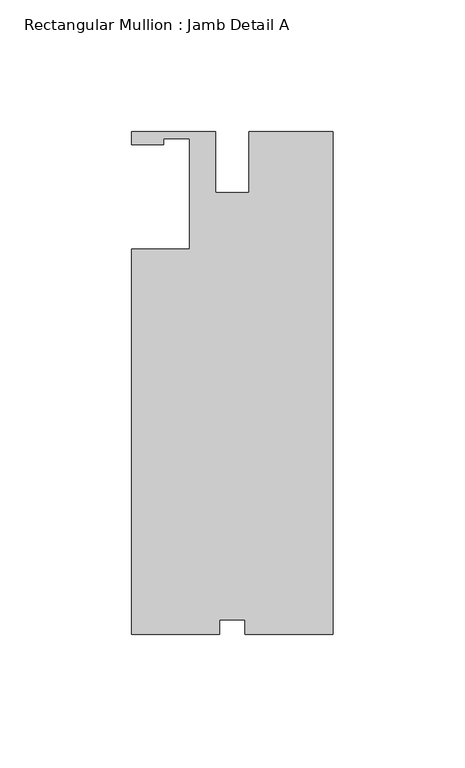
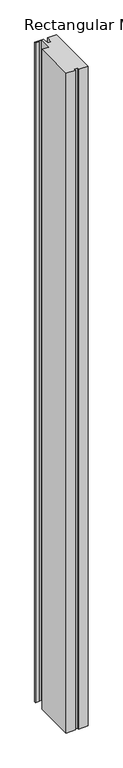
"""IFC4 building model written with IfcOpenShell, lengths in millimetres: member geometry, Rectangular Mullion : Jamb Detail A."""

import ifcopenshell
import ifcopenshell.guid

model = None  # the IFC model being written
_history = None  # IfcOwnerHistory: only IFC2X3 demands one
_inside = {}  # id of a spatial element -> (the spatial element, [elements in it])
_under = {}  # id of a project, library or spatial element -> (it, [spatial elements below it])
_declared = {}  # id of a project -> (the project, [libraries it declares])
_typed = {}  # id of a type object -> (the type object, [elements of that type])
_made_of = {}  # id of a material, layer set ... -> (it, [elements and type objects made of it])


def new_model(schema):
    """Start an empty IFC model of exactly this schema.

    Asked for "IFC4X3", IfcOpenShell would pick the latest addendum, in which some entities
    have other attributes; the version numbers below select the first issue.
    IFC2X3 requires an IfcOwnerHistory on every rooted entity: one is made here for all.
    """
    global model, _history
    if schema == "IFC4X3":
        model = ifcopenshell.file(schema_version=(4, 3, 0, 0))
    else:
        model = ifcopenshell.file(schema=schema)
    _inside.clear()
    _under.clear()
    _declared.clear()
    _typed.clear()
    _made_of.clear()
    _history = None
    if model.schema == "IFC2X3":
        org = make("IfcOrganization", Name="unknown")
        user = make(
            "IfcPersonAndOrganization",
            ThePerson=make("IfcPerson", FamilyName="unknown"),
            TheOrganization=org,
        )
        app = make(
            "IfcApplication",
            ApplicationDeveloper=org,
            Version="unknown",
            ApplicationFullName="unknown",
            ApplicationIdentifier="unknown",
        )
        _history = make(
            "IfcOwnerHistory",
            OwningUser=user,
            OwningApplication=app,
            ChangeAction="ADDED",
            CreationDate=0,
        )
    return model


def make(cls, **values):
    """One entity of the class cls with the attributes given. An attribute that is None is left unset."""
    return model.create_entity(
        cls, **{name: value for name, value in values.items() if value is not None}
    )


def rooted(cls, **values):
    """An entity with a GlobalId (a new one), such as an element, a storey or a relation."""
    return make(cls, GlobalId=ifcopenshell.guid.new(), OwnerHistory=_history, **values)


def si_unit(unit_type, name, prefix=None):
    """IfcSIUnit, for example si_unit("LENGTHUNIT", "METRE", prefix="MILLI")."""
    return make("IfcSIUnit", UnitType=unit_type, Prefix=prefix, Name=name)


def assignment(units):
    """IfcUnitAssignment: the units of a project."""
    return None if units is None else make("IfcUnitAssignment", Units=units)


def point(xyz):
    """IfcCartesianPoint."""
    return None if xyz is None else make("IfcCartesianPoint", Coordinates=xyz)


def direction(xyz):
    """IfcDirection."""
    return None if xyz is None else make("IfcDirection", DirectionRatios=xyz)


def frame(location, z_axis=None, x_axis=None):
    """IfcAxis2Placement3D, a coordinate frame: its origin and axes. An axis left out is left unset."""
    return make(
        "IfcAxis2Placement3D",
        Location=point(location),
        Axis=direction(z_axis),
        RefDirection=direction(x_axis),
    )


def origin():
    """The frame at (0, 0, 0) with its axes left unset."""
    return frame((0.0, 0.0, 0.0))


def place(relative_to, where):
    """IfcLocalPlacement: puts the frame where relative to a parent placement (None: the world)."""
    return make(
        "IfcLocalPlacement", PlacementRelTo=relative_to, RelativePlacement=where
    )


def context(
    kind, dimensions, precision=None, world=None, true_north=None, identifier=None
):
    """IfcGeometricRepresentationContext, for example the 3D "Model" context."""
    return make(
        "IfcGeometricRepresentationContext",
        ContextIdentifier=identifier,
        ContextType=kind,
        CoordinateSpaceDimension=dimensions,
        Precision=precision,
        WorldCoordinateSystem=world,
        TrueNorth=true_north,
    )


def project(units=None, contexts=None):
    """IfcProject with its units and contexts."""
    return rooted(
        "IfcProject",
        Name="project",
        RepresentationContexts=contexts,
        UnitsInContext=assignment(units),
    )


def spatial(cls, under=None, at=None, **own):
    """A site, building, storey or space (cls), placed at a placement, below another one or the project."""
    s = rooted(cls, ObjectPlacement=at, **own)
    if under is not None:
        _under.setdefault(under.id(), (under, []))[1].append(s)
    return s


def polyline(points):
    """IfcPolyline through the points."""
    return make("IfcPolyline", Points=[point(p) for p in points])


def outline(outer, holes=None, kind="AREA"):
    """IfcArbitraryClosedProfileDef: a profile drawn as a closed curve; with holes, ...WithVoids."""
    if holes is None:
        return make("IfcArbitraryClosedProfileDef", ProfileType=kind, OuterCurve=outer)
    return make(
        "IfcArbitraryProfileDefWithVoids",
        ProfileType=kind,
        OuterCurve=outer,
        InnerCurves=holes,
    )


def extrude(swept, where, along, depth):
    """IfcExtrudedAreaSolid: the profile swept, set in the frame where, extruded along a direction by depth."""
    return make(
        "IfcExtrudedAreaSolid",
        SweptArea=swept,
        Position=where,
        ExtrudedDirection=direction(along),
        Depth=depth,
    )


def shape(context_of_items, identifier, shape_type, items):
    """IfcShapeRepresentation: the items that make up one representation, for example the "Body"."""
    return make(
        "IfcShapeRepresentation",
        ContextOfItems=context_of_items,
        RepresentationIdentifier=identifier,
        RepresentationType=shape_type,
        Items=items,
    )


def source(mapping_origin, context_of_items, identifier, shape_type, items):
    """IfcRepresentationMap: a shape defined once, which mapped items show again and again."""
    return make(
        "IfcRepresentationMap",
        MappingOrigin=mapping_origin,
        MappedRepresentation=shape(context_of_items, identifier, shape_type, items),
    )


def transform(
    local_origin,
    x_axis=None,
    y_axis=None,
    z_axis=None,
    scale=None,
    scale2=None,
    scale3=None,
    uniform=True,
):
    """IfcCartesianTransformationOperator3D, or its non-uniform kind. x_axis, y_axis, z_axis: its Axis1, 2, 3."""
    if uniform:
        return make(
            "IfcCartesianTransformationOperator3D",
            Axis1=direction(x_axis),
            Axis2=direction(y_axis),
            LocalOrigin=point(local_origin),
            Scale=scale,
            Axis3=direction(z_axis),
        )
    return make(
        "IfcCartesianTransformationOperator3DnonUniform",
        Axis1=direction(x_axis),
        Axis2=direction(y_axis),
        LocalOrigin=point(local_origin),
        Scale=scale,
        Axis3=direction(z_axis),
        Scale2=scale2,
        Scale3=scale3,
    )


def mapped(mapping_source, mapping_target):
    """IfcMappedItem: shows the shape of a source again, moved by a transform."""
    return make(
        "IfcMappedItem", MappingSource=mapping_source, MappingTarget=mapping_target
    )


def made_of(thing, what):
    """Note that an element or type object is made of a material, layer set ...; save() writes the relation."""
    if what is not None:
        _made_of.setdefault(what.id(), (what, []))[1].append(thing)
    return thing


def element(
    cls,
    number,
    at=None,
    inside=None,
    cuts=None,
    type_object=None,
    material=None,
    context=None,
    identifier="Body",
    shape_type=None,
    held_by="IfcProductDefinitionShape",
    body=None,
    shapes=None,
    **own,
):
    """One element of the class cls, such as IfcWall. Its Tag is "e" and its number.

    at: its placement. inside: the storey or other place that contains it. cuts: it is an
    opening in that element (IfcRelVoidsElement). A single representation is given by context,
    identifier, shape_type and body (its items); several are given by shapes. held_by: the class
    of the entity that holds the representations. save() writes the other relations.
    """
    e = rooted(cls, Tag="e%d" % number, ObjectPlacement=at, **own)
    if body is not None:
        shapes = [shape(context, identifier, shape_type, body)]
    if shapes is not None:
        e.Representation = make(held_by, Representations=shapes)
    if inside is not None:
        _inside.setdefault(inside.id(), (inside, []))[1].append(e)
    if cuts is not None:
        rooted(
            "IfcRelVoidsElement", RelatingBuildingElement=cuts, RelatedOpeningElement=e
        )
    if type_object is not None:
        _typed.setdefault(type_object.id(), (type_object, []))[1].append(e)
    return made_of(e, material)


def aggregate(whole, parts):
    """IfcRelAggregates: a whole, such as a stair, and the parts it consists of."""
    return rooted("IfcRelAggregates", RelatingObject=whole, RelatedObjects=parts)


def save(model, path):
    """Write the relations noted so far, then the file.

    IfcRelAggregates (storeys below a building ...), IfcRelContainedInSpatialStructure (elements
    in a storey), IfcRelDefinesByType, IfcRelAssociatesMaterial and IfcRelDeclares: one each for
    every whole, place, type object, material and project.
    """
    for whole, parts in _under.values():
        aggregate(whole, parts)
    for where, things in _inside.values():
        rooted(
            "IfcRelContainedInSpatialStructure",
            RelatedElements=things,
            RelatingStructure=where,
        )
    for kind, things in _typed.values():
        rooted("IfcRelDefinesByType", RelatedObjects=things, RelatingType=kind)
    for what, things in _made_of.values():
        rooted("IfcRelAssociatesMaterial", RelatedObjects=things, RelatingMaterial=what)
    for by, libraries in _declared.values():
        rooted("IfcRelDeclares", RelatingContext=by, RelatedDefinitions=libraries)
    model.write(path)


def rectangular_mullion_jamb_detail_a_55d3eea1(model_context):
    return source(origin(), model_context, "Body", "SweptSolid", [
        extrude(outline(polyline([(-76.2, -19.05), (-54.3306, -19.05), (-54.3306, 22.86), (-64.1096, 22.86), (-64.1096, 20.5232), (-76.2, 20.5232), (-76.2, 25.4), (-44.45, 25.4), (-44.45, 2.3114), (-31.75, 2.3114), (-31.75, 25.4), (0.0, 25.4), (0.0, -165.1), (-33.3248, -165.1), (-33.3248, -159.5882), (-42.8752, -159.5882), (-42.8752, -165.1), (-76.2, -165.1), (-76.2, -19.05)])), frame((0.0, 0.0, -2438.4), z_axis=(0.0, 0.0, 1.0), x_axis=(1.0, 0.0, 0.0)), (0.0, 0.0, 1.0), 2438.4),
    ])


if __name__ == "__main__":
    model = new_model("IFC4")
    model_context = context("Model", 3, world=origin())
    ifc_project = project(units=[si_unit("LENGTHUNIT", "METRE", prefix="MILLI")], contexts=[model_context])
    site = spatial("IfcSite", under=ifc_project)
    building = spatial("IfcBuilding", under=site)
    placement = place(None, origin())
    rectangular_mullion_jamb_detail_a_shape = rectangular_mullion_jamb_detail_a_55d3eea1(model_context)
    element("IfcMember", 1, ObjectType="Rectangular Mullion : Jamb Detail A", at=placement, inside=building, context=model_context, shape_type="MappedRepresentation", body=[
        mapped(rectangular_mullion_jamb_detail_a_shape, transform((0.0, 0.0, 0.0), x_axis=(1.0, 0.0, 0.0), y_axis=(0.0, 1.0, 0.0), z_axis=(0.0, 0.0, 1.0))),
    ])
    save(model, "model.ifc")
